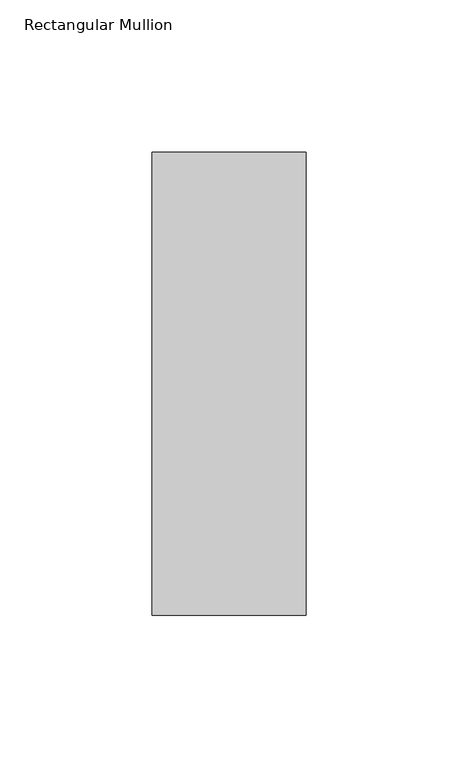
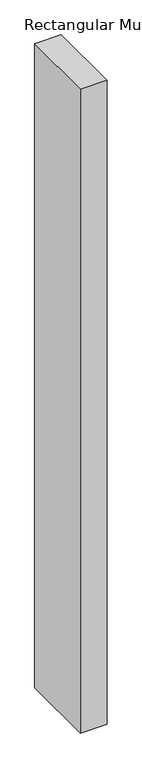
"""IFC4 building model written with IfcOpenShell, lengths in millimetres: member geometry, Rectangular Mullion."""

from ifc_helpers import new_model, si_unit, frame, origin, place, context, project, spatial, polyline, outline, extrude, source, transform, mapped, element, save


def rectangular_mullion_95dc815a(model_context):
    return source(origin(), model_context, "Body", "SweptSolid", [
        extrude(outline(polyline([(0.0, -26.19375), (-50.8, -26.19375), (-50.8, 126.20625), (0.0, 126.20625), (0.0, -26.19375)])), frame((0.0, 0.0, -1308.1), z_axis=(0.0, 0.0, 1.0), x_axis=(1.0, 0.0, 0.0)), (0.0, 0.0, 1.0), 1308.1),
    ])


if __name__ == "__main__":
    model = new_model("IFC4")
    model_context = context("Model", 3, world=origin())
    ifc_project = project(units=[si_unit("LENGTHUNIT", "METRE", prefix="MILLI")], contexts=[model_context])
    site = spatial("IfcSite", under=ifc_project)
    building = spatial("IfcBuilding", under=site)
    placement = place(None, origin())
    rectangular_mullion_shape = rectangular_mullion_95dc815a(model_context)
    element("IfcMember", 1, ObjectType="Rectangular Mullion", at=placement, inside=building, context=model_context, shape_type="MappedRepresentation", body=[
        mapped(rectangular_mullion_shape, transform((0.0, 0.0, 0.0), x_axis=(1.0, 0.0, 0.0), y_axis=(0.0, 1.0, 0.0), z_axis=(0.0, 0.0, 1.0))),
    ])
    save(model, "model.ifc")
